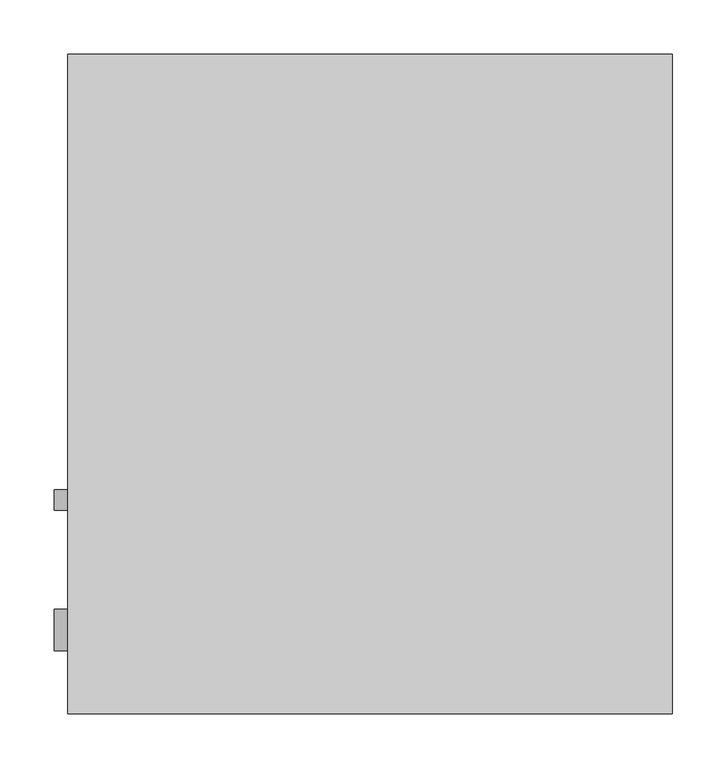
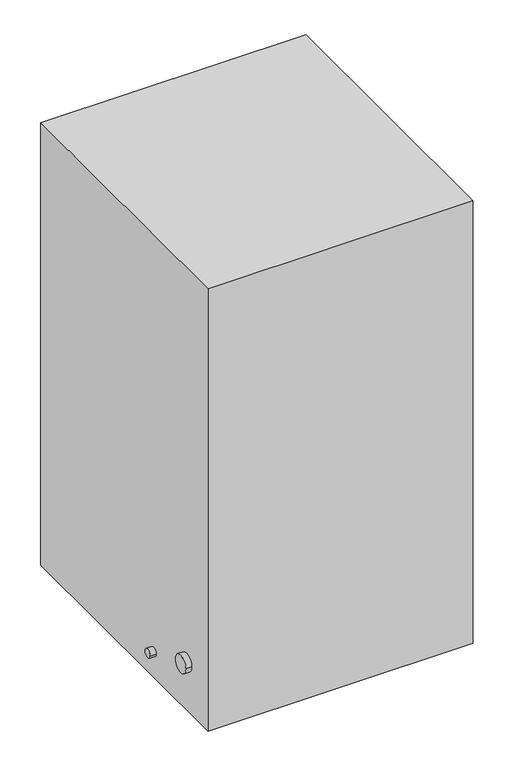
"""IFC4 building model written with IfcOpenShell, lengths in millimetres: proxy geometry."""

from ifc_helpers import new_model, si_unit, point, frame, frame_2d, origin, origin_with_axes, place, context, project, spatial, polyline, circle_curve, trimmed, segment, composite_curve, outline, extrude, source, transform, mapped, element, save


def mechanical_equipment_90c37b5d(model_context):
    return source(origin(), model_context, "Body", "SweptSolid", [
        extrude(outline(composite_curve([segment(trimmed(circle_curve(frame_2d((-411.9177739, 57.5165584)), 9.525), [point((-421.4427739, 57.5165584))], [point((-402.3927739, 57.5165584))], False, "CARTESIAN"), True, "CONTINUOUS"), segment(trimmed(circle_curve(frame_2d((-411.9177739, 57.5165584)), 9.525), [point((-402.3927739, 57.5165584))], [point((-421.4427739, 57.5165584))], False, "CARTESIAN"), True, "CONTINUOUS")], self_intersect=False)), frame((-12.7, 0.0, 0.0), z_axis=(1.0, 0.0, 0.0), x_axis=(0.0, 1.0, 0.0)), (0.0, 0.0, 1.0), 12.7),
        extrude(outline(composite_curve([segment(trimmed(circle_curve(frame_2d((-532.1806019, 107.30611)), 19.05), [point((-551.2306019, 107.30611))], [point((-513.1306019, 107.30611))], False, "CARTESIAN"), True, "CONTINUOUS"), segment(trimmed(circle_curve(frame_2d((-532.1806019, 107.30611)), 19.05), [point((-513.1306019, 107.30611))], [point((-551.2306019, 107.30611))], False, "CARTESIAN"), True, "CONTINUOUS")], self_intersect=False)), frame((-12.7, 0.0, 0.0), z_axis=(1.0, 0.0, 0.0), x_axis=(0.0, 1.0, 0.0)), (0.0, 0.0, 1.0), 12.7),
        extrude(outline(polyline([(558.8, 0.0), (558.8, -609.6), (0.0, -609.6), (0.0, 0.0), (558.8, 0.0)])), origin_with_axes(), (0.0, 0.0, 1.0), 984.5476563),
    ])


if __name__ == "__main__":
    model = new_model("IFC4")
    model_context = context("Model", 3, world=origin())
    ifc_project = project(units=[si_unit("LENGTHUNIT", "METRE", prefix="MILLI")], contexts=[model_context])
    site = spatial("IfcSite", under=ifc_project)
    building = spatial("IfcBuilding", under=site)
    placement = place(None, origin())
    mechanical_equipment_shape = mechanical_equipment_90c37b5d(model_context)
    element("IfcBuildingElementProxy", 1, Name="Mechanical Equipment", at=placement, inside=building, context=model_context, shape_type="MappedRepresentation", body=[
        mapped(mechanical_equipment_shape, transform((0.0, 0.0, 0.0), x_axis=(1.0, 0.0, 0.0), y_axis=(0.0, 1.0, 0.0), z_axis=(0.0, 0.0, 1.0))),
    ])
    save(model, "model.ifc")
